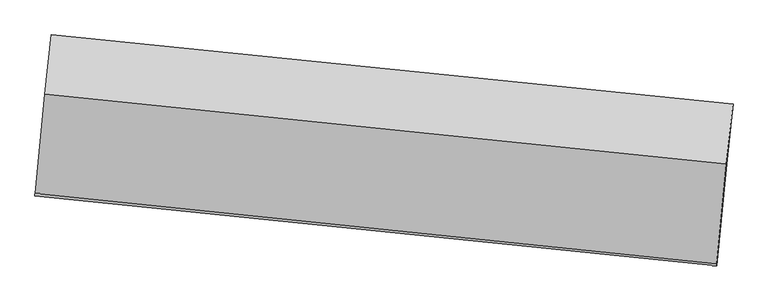
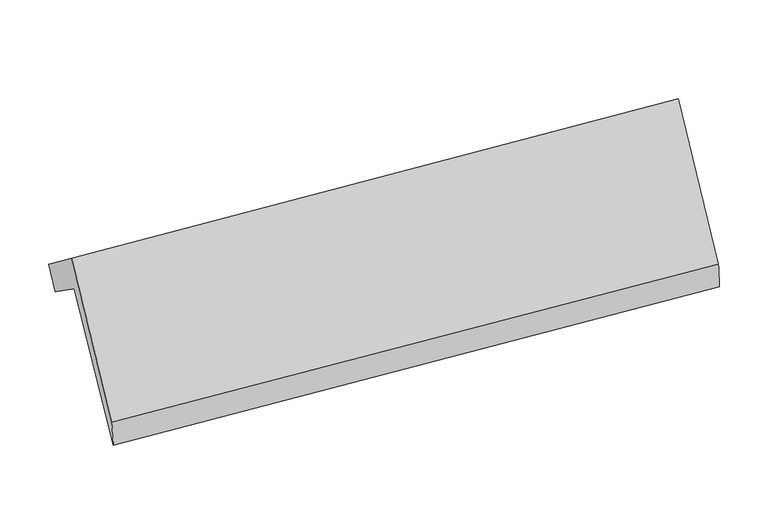
"""IFC4 building model written with IfcOpenShell, lengths in millimetres: proxy geometry."""

from ifc_helpers import new_model, si_unit, frame, origin, place, context, project, spatial, source, transform, mapped, element, save
from ifc_brep_helpers import plane_surface, spline_surface, advanced_brep


def generic_models_fc643a7e(model_context):
    return source(origin(), model_context, "Body", "AdvancedBrep", [
        advanced_brep(
        [(-6139.2746761, -1051.518048, 2318.2046062), (-6088.3300095, -592.1573127, 1985.1208866), (487.7191053, -1264.8568059, 2011.8770592), (436.7744387, -1724.2175412, 2344.9607787), (-6229.4575487, -1984.8561696, 1017.2307166), (346.5915661, -2657.5556628, 1043.9868891), (-6228.4293384, -1958.6592936, 1276.7902063), (346.7255318, -2639.4220615, 1309.3930812), (-6135.9218783, -998.2889963, 2658.0884372), (439.7448712, -1673.7376662, 2698.3345661), (-6072.4635552, -427.9491189, 2214.0096115), (504.090331, -1095.4245335, 2248.0475931)],
        [
            (0, 1),
            (1, 2),
            (2, 3),
            (3, 0),
            (4, 0),
            (3, 5),
            (5, 4),
            (6, 4),
            (5, 7),
            (7, 6),
            (8, 6),
            (7, 9),
            (9, 8),
            (10, 8),
            (9, 11),
            (11, 10),
            (1, 10),
            (11, 2),
        ],
        [
            plane_surface(frame((-6113.8023428, -821.8376803, 2151.6627464), z_axis=(-0.05623499304589245, -0.5819981251303316, -0.8112433715611533), x_axis=(0.08942445588788163, 0.8063274636358023, -0.5846702387464324))),
            plane_surface(frame((-6184.3661124, -1518.1871088, 1667.7176614), z_axis=(0.08491063861822662, 0.8067976042436156, -0.5846946290468275), x_axis=(0.056234993045891316, 0.581998125130332, 0.811243371561153))),
            spline_surface(1, 1, [[(-6228.4293384, -1958.6592936, 1276.7902063), (346.7255318, -2639.4220615, 1309.3930812)], [(-6229.4575487, -1984.8561696, 1017.2307166), (346.5915661, -2657.5556628, 1043.9868891)]], [2, 2], [2, 2], [0.0, 1.0], [0.0, 1.0]),
            plane_surface(frame((-6182.1756083, -1478.4741449, 1967.4393218), z_axis=(-0.08723896606190656, -0.8151754416230048, 0.5726066382563066), x_axis=(-0.05490416147451855, -0.5699899861667903, -0.819815191809936))),
            plane_surface(frame((-6104.1927168, -713.1190576, 2436.0490243), z_axis=(0.057749017658522445, 0.6093218433269391, 0.7908172622067229), x_axis=(-0.08745425274479895, -0.7860063953827673, 0.6120013889643043))),
            plane_surface(frame((-6080.3967824, -510.0532158, 2099.565249), z_axis=(0.08491063861822795, 0.8067976042436312, -0.5846946290468058), x_axis=(0.056234993045864316, 0.5819981251303129, 0.8112433715611685))),
            plane_surface(frame((426.940974, -1842.5357119, 1942.7666612), z_axis=(0.9944047929521946, -0.10542392390449556, 0.006701046357242092), x_axis=(-0.05490416147451855, -0.5699899861667903, -0.819815191809936))),
            plane_surface(frame((-6148.979501, -1168.9048232, 1911.5740774), z_axis=(-0.9944047929521886, 0.1054239239045519, -0.006701046357275926), x_axis=(-0.0894244558878812, -0.8063274636358028, 0.5846702387464319))),
        ],
        [
            (0, [[1, 2, 3, 4]]),
            (1, [[5, -4, 6, 7]]),
            (2, [[8, -7, 9, 10]]),
            (3, [[11, -10, 12, 13]]),
            (4, [[14, -13, 15, 16]]),
            (5, [[17, -16, 18, -2]]),
            (6, [[-12, -9, -6, -3, -18, -15]]),
            (7, [[-1, -5, -8, -11, -14, -17]]),
        ],
    ),
    ])


if __name__ == "__main__":
    model = new_model("IFC4")
    model_context = context("Model", 3, world=origin())
    ifc_project = project(units=[si_unit("LENGTHUNIT", "METRE", prefix="MILLI")], contexts=[model_context])
    site = spatial("IfcSite", under=ifc_project)
    building = spatial("IfcBuilding", under=site)
    placement = place(None, origin())
    generic_models_shape = generic_models_fc643a7e(model_context)
    element("IfcBuildingElementProxy", 1, Name="Generic Models", at=placement, inside=building, context=model_context, shape_type="MappedRepresentation", body=[
        mapped(generic_models_shape, transform((0.0, 0.0, 0.0), x_axis=(1.0, 0.0, 0.0), y_axis=(0.0, 1.0, 0.0), z_axis=(0.0, 0.0, 1.0))),
    ])
    save(model, "model.ifc")
